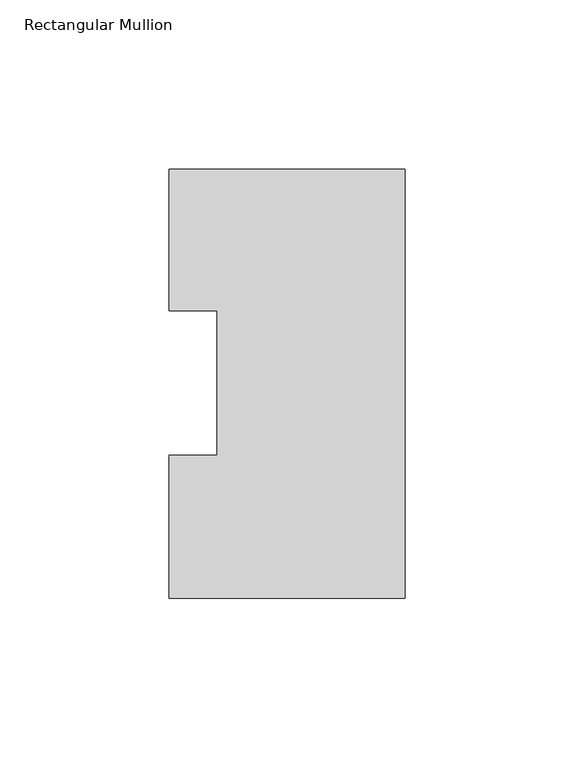
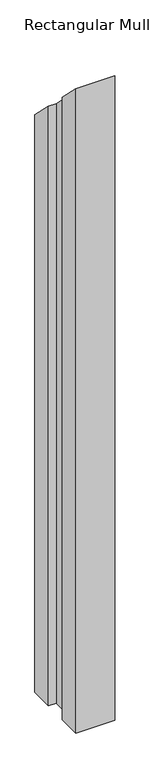
"""IFC4 building model written with IfcOpenShell, lengths in millimetres: member geometry, Rectangular Mullion."""

from ifc_helpers import new_model, si_unit, origin, place, context, project, spatial, faceted_brep, source, transform, mapped, element, save


def rectangular_mullion_ae8108f1(model_context):
    return source(origin(), model_context, "Body", "Brep", [
        faceted_brep([(-69.8489149, -0.0111125, -1219.1976187), (-69.8489149, 42.2798875, -1219.1976187), (-55.5639549, 42.2798875, -1219.1976187), (-55.5639549, 85.1296875, -1219.1976187), (-69.8489149, 85.1296875, -1219.1976187), (-69.8489149, 126.9888875, -1219.1976187), (0.0, 126.9888875, -1219.1976187), (0.0, -0.0111125, -1219.1976187), (0.0, -0.0111125, 0.0111125), (-69.8489149, -0.0111125, 0.0111125), (0.0, 126.9888875, -126.9888875), (-69.8489149, 126.9888875, -126.9888875), (-69.8489149, 85.1296875, -85.1296875), (-55.5639549, 85.1296875, -85.1296875), (-55.5639549, 42.2798875, -42.2798875), (-69.8489149, 42.2798875, -42.2798875)], [[[0, 1, 2, 3, 4, 5, 6, 7]], [[8, 9, 0, 7]], [[10, 8, 7, 6]], [[11, 10, 6, 5]], [[12, 11, 5, 4]], [[13, 12, 4, 3]], [[14, 13, 3, 2]], [[15, 14, 2, 1]], [[9, 15, 1, 0]], [[9, 8, 10, 11, 12, 13, 14, 15]]]),
    ])


if __name__ == "__main__":
    model = new_model("IFC4")
    model_context = context("Model", 3, world=origin())
    ifc_project = project(units=[si_unit("LENGTHUNIT", "METRE", prefix="MILLI")], contexts=[model_context])
    site = spatial("IfcSite", under=ifc_project)
    building = spatial("IfcBuilding", under=site)
    placement = place(None, origin())
    rectangular_mullion_shape = rectangular_mullion_ae8108f1(model_context)
    element("IfcMember", 1, ObjectType="Rectangular Mullion", at=placement, inside=building, context=model_context, shape_type="MappedRepresentation", body=[
        mapped(rectangular_mullion_shape, transform((0.0, 0.0, 0.0), x_axis=(1.0, 0.0, 0.0), y_axis=(0.0, 1.0, 0.0), z_axis=(0.0, 0.0, 1.0))),
    ])
    save(model, "model.ifc")
